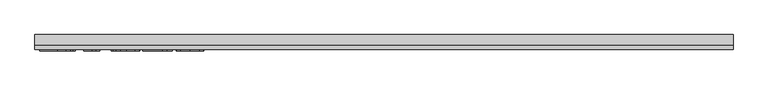
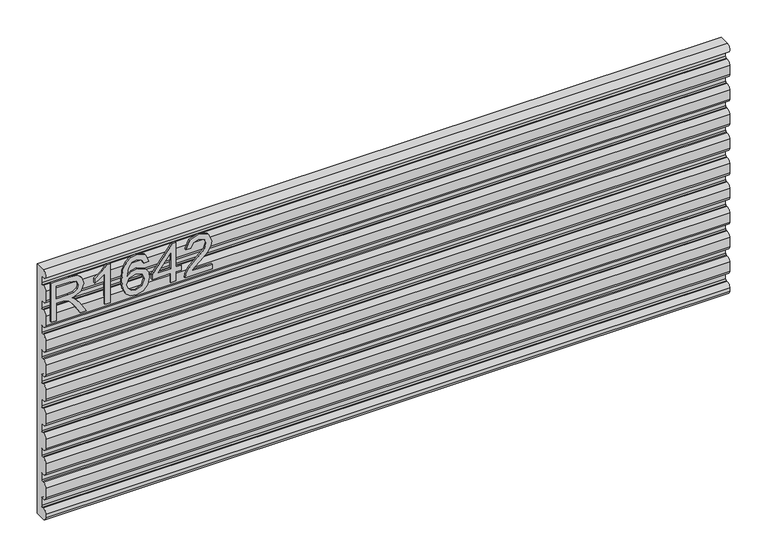
"""IFC4 building model written with IfcOpenShell, lengths in millimetres: furniture geometry."""

from ifc_helpers import new_model, si_unit, point, frame, frame_2d, origin, place, context, project, spatial, polyline, circle_curve, trimmed, segment, composite_curve, outline, extrude, source, transform, mapped, element, save


def furniture_815d6205(model_context):
    return source(origin(), model_context, "Body", "SweptSolid", [
        extrude(outline(polyline([(882.65, -520.0729953), (882.65, -512.0992757), (910.5580187, -512.0992757), (910.5580187, -502.474747), (910.2776926, -497.8493666), (908.7592596, -494.0571777), (904.62445, -489.8444997), (895.8720468, -483.8486363), (882.65, -475.5478696), (882.65, -466.2815353), (899.936775, -476.9183526), (908.1440996, -483.3814262), (911.5547336, -487.9133645), (917.4883023, -474.5589415), (928.9816716, -470.2372477), (938.6295609, -472.8458376), (944.7188663, -479.8228423), (946.4397569, -492.5854658), (946.4397569, -520.0729953), (882.65, -520.0729953)]), holes=[polyline([(918.5317383, -512.0992757), (938.4660373, -512.0992757), (938.4660373, -492.242845), (935.7094975, -481.5826671), (928.6857719, -478.2109673), (923.2739211, -479.978579), (919.6608294, -485.1490378), (918.5317383, -494.2518486), (918.5317383, -512.0992757)])]), frame((0.0, -24.60625, 0.0), z_axis=(0.0, 1.0, 0.0), x_axis=(0.0, 0.0, 1.0)), (0.0, 0.0, 1.0), 2.38125),
        extrude(outline(polyline([(882.65, -429.3719347), (946.4397569, -429.3719347), (946.4397569, -434.5112462), (937.9521062, -441.6050533), (930.4923177, -453.2930935), (922.9546609, -453.2930935), (926.9804549, -444.8988848), (932.3611582, -437.3456543), (882.65, -437.3456543), (882.65, -429.3719347)])), frame((0.0, -24.60625, 0.0), z_axis=(0.0, 1.0, 0.0), x_axis=(0.0, 0.0, 1.0)), (0.0, 0.0, 1.0), 2.38125),
        extrude(outline(polyline([(929.4956028, -369.5690375), (941.938966, -375.4558852), (946.4397569, -388.0549852), (944.6215308, -397.3096392), (939.1668525, -404.4540609), (928.3081103, -409.6868144), (912.4268592, -411.4310655), (898.3015395, -409.8600715), (888.8171738, -405.1470892), (883.4442572, -397.9423196), (881.653285, -388.8959634), (884.355317, -378.4460301), (892.1421526, -371.204273), (903.1449512, -368.5723226), (911.3172351, -369.9700596), (917.8309231, -374.1632705), (923.515313, -387.7123644), (921.4362279, -396.4258334), (915.0743833, -403.4573459), (929.2853582, -401.1913768), (936.5349021, -395.7483787), (938.4660373, -388.5533426), (935.1488454, -380.5640494), (928.4988878, -377.5427572), (929.4956028, -369.5690375)]), holes=[polyline([(903.2695406, -403.4573459), (912.15432, -399.4938466), (915.5415934, -389.8459574), (912.15432, -380.0734787), (902.8801988, -376.5460422), (893.1933754, -380.1201997), (889.6270047, -389.5189103), (891.3478953, -396.7061595), (896.3626174, -401.6118659), (903.2695406, -403.4573459)])]), frame((0.0, -24.60625, 0.0), z_axis=(0.0, 1.0, 0.0), x_axis=(0.0, 0.0, 1.0)), (0.0, 0.0, 1.0), 2.38125),
        extrude(outline(polyline([(882.65, -335.6807292), (882.65, -327.7070095), (897.6007243, -327.7070095), (897.6007243, -319.7332899), (905.5744439, -319.7332899), (905.5744439, -327.7070095), (945.443042, -327.7070095), (945.443042, -333.6872993), (905.5744439, -364.5854628), (897.6007243, -364.5854628), (897.6007243, -335.6807292), (882.65, -335.6807292)]), holes=[polyline([(905.5744439, -335.6807292), (905.5744439, -354.77405), (930.2119916, -335.6807292), (905.5744439, -335.6807292)])]), frame((0.0, -24.60625, 0.0), z_axis=(0.0, 1.0, 0.0), x_axis=(0.0, 0.0, 1.0)), (0.0, 0.0, 1.0), 2.38125),
        extrude(outline(polyline([(890.6237196, -271.8909722), (890.6237196, -303.2096249), (894.6806609, -299.6121068), (902.350694, -290.4392145), (913.2756243, -279.0159268), (921.0936072, -274.3048912), (928.6546245, -272.8876872), (941.3315928, -278.1438012), (946.4397569, -292.4170708), (941.845524, -306.6436193), (928.4988878, -312.7562853), (927.5021729, -304.7825656), (935.5537608, -301.4264395), (938.4660373, -292.5883812), (935.4836793, -284.1085172), (928.1718407, -280.8614068), (919.1391115, -284.3031881), (905.85477, -298.0703134), (896.6117962, -308.0530366), (888.1475059, -312.8964483), (882.65, -313.7530002), (882.65, -271.8909722), (890.6237196, -271.8909722)])), frame((0.0, -24.60625, 0.0), z_axis=(0.0, 1.0, 0.0), x_axis=(0.0, 0.0, 1.0)), (0.0, 0.0, 1.0), 2.38125),
        extrude(outline(composite_curve([segment(polyline([(-11.1273551, 940.9125759), (-11.1273551, 951.3113359)]), True, "CONTINUOUS"), segment(trimmed(circle_curve(frame_2d((-12.7148551, 951.3113359)), 1.5875), [point((-11.1273551, 951.3113359))], [point((-12.9205788, 952.8854496))], True, "CARTESIAN"), True, "CONTINUOUS"), segment(trimmed(circle_curve(frame_2d((-1.148465, 869.310398)), 84.4000706), [point((-12.9205788, 952.8854496))], [point((-15.1005681, 952.5492755))], True, "CARTESIAN"), True, "CONTINUOUS"), segment(trimmed(circle_curve(frame_2d((-15.8898551, 958.8475159)), 6.3475039), [point((-15.1005681, 952.5492755))], [point((-15.8908532, 965.1950196))], False, "CARTESIAN"), True, "CONTINUOUS"), segment(polyline([(-15.8908532, 965.1950196), (-0.0148551, 965.1975159), (-0.0148551, 558.8), (-15.8898551, 558.8)]), True, "CONTINUOUS"), segment(trimmed(circle_curve(frame_2d((-15.8898551, 565.1475038)), 6.3475038), [point((-15.8898551, 558.8))], [point((-22.2373589, 565.1475038))], False, "CARTESIAN"), True, "CONTINUOUS"), segment(polyline([(-22.2373589, 565.1475038), (-22.2373589, 570.9539438)]), True, "CONTINUOUS"), segment(trimmed(circle_curve(frame_2d((-15.8898551, 570.9539438)), 6.3475038), [point((-22.2373589, 570.9539438))], [point((-15.1005681, 577.2521841))], False, "CARTESIAN"), True, "CONTINUOUS"), segment(trimmed(circle_curve(frame_2d((-1.148465, 660.4910617)), 84.4000706), [point((-15.1005681, 577.2521841))], [point((-12.9205788, 576.91601))], True, "CARTESIAN"), True, "CONTINUOUS"), segment(trimmed(circle_curve(frame_2d((-12.7148551, 578.4901238)), 1.5875), [point((-12.9205788, 576.91601))], [point((-11.1273551, 578.4901238))], True, "CARTESIAN"), True, "CONTINUOUS"), segment(polyline([(-11.1273551, 578.4901238), (-11.1273551, 590.5060073)]), True, "CONTINUOUS"), segment(trimmed(circle_curve(frame_2d((-12.7148551, 590.5060073)), 1.5875), [point((-11.1273551, 590.5060073))], [point((-12.9205788, 592.080121))], True, "CARTESIAN"), True, "CONTINUOUS"), segment(trimmed(circle_curve(frame_2d((-1.148465, 508.5050694)), 84.4000706), [point((-12.9205788, 592.080121))], [point((-15.1005681, 591.743947))], True, "CARTESIAN"), True, "CONTINUOUS"), segment(trimmed(circle_curve(frame_2d((-15.8898551, 598.0421873)), 6.3475039), [point((-15.1005681, 591.743947))], [point((-22.225, 597.6462778))], False, "CARTESIAN"), True, "CONTINUOUS"), segment(polyline([(-22.225, 597.6462778), (-22.225, 613.0564578)]), True, "CONTINUOUS"), segment(trimmed(circle_curve(frame_2d((-15.8898551, 612.6605483)), 6.3475039), [point((-22.225, 613.0564578))], [point((-15.1005681, 618.9587886))], False, "CARTESIAN"), True, "CONTINUOUS"), segment(trimmed(circle_curve(frame_2d((-1.148465, 702.1976662)), 84.4000706), [point((-15.1005681, 618.9587886))], [point((-12.9205788, 618.6226145))], True, "CARTESIAN"), True, "CONTINUOUS"), segment(trimmed(circle_curve(frame_2d((-12.7148551, 620.1967283)), 1.5875), [point((-12.9205788, 618.6226145))], [point((-11.1273551, 620.1967283))], True, "CARTESIAN"), True, "CONTINUOUS"), segment(polyline([(-11.1273551, 620.1967283), (-11.1273551, 630.5954883)]), True, "CONTINUOUS"), segment(trimmed(circle_curve(frame_2d((-12.7148551, 630.5954883)), 1.5875), [point((-11.1273551, 630.5954883))], [point((-12.9205788, 632.169602))], True, "CARTESIAN"), True, "CONTINUOUS"), segment(trimmed(circle_curve(frame_2d((-1.148465, 548.5945503)), 84.4000706), [point((-12.9205788, 632.169602))], [point((-15.1005681, 631.8334279))], True, "CARTESIAN"), True, "CONTINUOUS"), segment(trimmed(circle_curve(frame_2d((-15.8898551, 638.1316682)), 6.3475039), [point((-15.1005681, 631.8334279))], [point((-22.225, 637.7357587))], False, "CARTESIAN"), True, "CONTINUOUS"), segment(polyline([(-22.225, 637.7357587), (-22.225, 653.1459387)]), True, "CONTINUOUS"), segment(trimmed(circle_curve(frame_2d((-15.8898551, 652.7500292)), 6.3475039), [point((-22.225, 653.1459387))], [point((-15.1005681, 659.0482696))], False, "CARTESIAN"), True, "CONTINUOUS"), segment(trimmed(circle_curve(frame_2d((-1.148465, 742.2871471)), 84.4000706), [point((-15.1005681, 659.0482696))], [point((-12.9205788, 658.7120955))], True, "CARTESIAN"), True, "CONTINUOUS"), segment(trimmed(circle_curve(frame_2d((-12.7148551, 660.2862092)), 1.5875), [point((-12.9205788, 658.7120955))], [point((-11.1273551, 660.2862092))], True, "CARTESIAN"), True, "CONTINUOUS"), segment(polyline([(-11.1273551, 660.2862092), (-11.1273551, 670.6849692)]), True, "CONTINUOUS"), segment(trimmed(circle_curve(frame_2d((-12.7148551, 670.6849692)), 1.5875), [point((-11.1273551, 670.6849692))], [point((-12.9205788, 672.2590829))], True, "CARTESIAN"), True, "CONTINUOUS"), segment(trimmed(circle_curve(frame_2d((-1.148465, 588.6840313)), 84.4000706), [point((-12.9205788, 672.2590829))], [point((-15.1005681, 671.9229089))], True, "CARTESIAN"), True, "CONTINUOUS"), segment(trimmed(circle_curve(frame_2d((-15.8898551, 678.2211492)), 6.3475039), [point((-15.1005681, 671.9229089))], [point((-22.225, 677.8252397))], False, "CARTESIAN"), True, "CONTINUOUS"), segment(polyline([(-22.225, 677.8252397), (-22.225, 693.2354197)]), True, "CONTINUOUS"), segment(trimmed(circle_curve(frame_2d((-15.8898551, 692.8395102)), 6.3475039), [point((-22.225, 693.2354197))], [point((-15.1005681, 699.1377505))], False, "CARTESIAN"), True, "CONTINUOUS"), segment(trimmed(circle_curve(frame_2d((-1.148465, 782.3766281)), 84.4000706), [point((-15.1005681, 699.1377505))], [point((-12.9205788, 698.8015764))], True, "CARTESIAN"), True, "CONTINUOUS"), segment(trimmed(circle_curve(frame_2d((-12.7148551, 700.3756902)), 1.5875), [point((-12.9205788, 698.8015764))], [point((-11.1273551, 700.3756902))], True, "CARTESIAN"), True, "CONTINUOUS"), segment(polyline([(-11.1273551, 700.3756902), (-11.1273551, 710.7744502)]), True, "CONTINUOUS"), segment(trimmed(circle_curve(frame_2d((-12.7148551, 710.7744502)), 1.5875), [point((-11.1273551, 710.7744502))], [point((-12.9205788, 712.3485639))], True, "CARTESIAN"), True, "CONTINUOUS"), segment(trimmed(circle_curve(frame_2d((-1.148465, 628.7735122)), 84.4000706), [point((-12.9205788, 712.3485639))], [point((-15.1005681, 712.0123898))], True, "CARTESIAN"), True, "CONTINUOUS"), segment(trimmed(circle_curve(frame_2d((-15.8898551, 718.3106301)), 6.3475039), [point((-15.1005681, 712.0123898))], [point((-22.225, 717.9147206))], False, "CARTESIAN"), True, "CONTINUOUS"), segment(polyline([(-22.225, 717.9147206), (-22.225, 733.3249006)]), True, "CONTINUOUS"), segment(trimmed(circle_curve(frame_2d((-15.8898551, 732.9289911)), 6.3475039), [point((-22.225, 733.3249006))], [point((-15.1005681, 739.2272315))], False, "CARTESIAN"), True, "CONTINUOUS"), segment(trimmed(circle_curve(frame_2d((-1.148465, 822.4661091)), 84.4000706), [point((-15.1005681, 739.2272315))], [point((-12.9205788, 738.8910574))], True, "CARTESIAN"), True, "CONTINUOUS"), segment(trimmed(circle_curve(frame_2d((-12.7148551, 740.4651711)), 1.5875), [point((-12.9205788, 738.8910574))], [point((-11.1273551, 740.4651711))], True, "CARTESIAN"), True, "CONTINUOUS"), segment(polyline([(-11.1273551, 740.4651711), (-11.1273551, 750.8639311)]), True, "CONTINUOUS"), segment(trimmed(circle_curve(frame_2d((-12.7148551, 750.8639311)), 1.5875), [point((-11.1273551, 750.8639311))], [point((-12.9205788, 752.4380449))], True, "CARTESIAN"), True, "CONTINUOUS"), segment(trimmed(circle_curve(frame_2d((-1.148465, 668.8629932)), 84.4000706), [point((-12.9205788, 752.4380449))], [point((-15.1005681, 752.1018708))], True, "CARTESIAN"), True, "CONTINUOUS"), segment(trimmed(circle_curve(frame_2d((-15.8898551, 758.4001111)), 6.3475039), [point((-15.1005681, 752.1018708))], [point((-22.225, 758.0042016))], False, "CARTESIAN"), True, "CONTINUOUS"), segment(polyline([(-22.225, 758.0042016), (-22.225, 773.4143816)]), True, "CONTINUOUS"), segment(trimmed(circle_curve(frame_2d((-15.8898551, 773.0184721)), 6.3475039), [point((-22.225, 773.4143816))], [point((-15.1005681, 779.3167124))], False, "CARTESIAN"), True, "CONTINUOUS"), segment(trimmed(circle_curve(frame_2d((-1.148465, 862.55559)), 84.4000706), [point((-15.1005681, 779.3167124))], [point((-12.9205788, 778.9805383))], True, "CARTESIAN"), True, "CONTINUOUS"), segment(trimmed(circle_curve(frame_2d((-12.7148551, 780.5546521)), 1.5875), [point((-12.9205788, 778.9805383))], [point((-11.1273551, 780.5546521))], True, "CARTESIAN"), True, "CONTINUOUS"), segment(polyline([(-11.1273551, 780.5546521), (-11.1273551, 790.9534121)]), True, "CONTINUOUS"), segment(trimmed(circle_curve(frame_2d((-12.7148551, 790.9534121)), 1.5875), [point((-11.1273551, 790.9534121))], [point((-12.9205788, 792.5275258))], True, "CARTESIAN"), True, "CONTINUOUS"), segment(trimmed(circle_curve(frame_2d((-1.148465, 708.9524741)), 84.4000706), [point((-12.9205788, 792.5275258))], [point((-15.1005681, 792.1913517))], True, "CARTESIAN"), True, "CONTINUOUS"), segment(trimmed(circle_curve(frame_2d((-15.8898551, 798.489592)), 6.3475039), [point((-15.1005681, 792.1913517))], [point((-22.225, 798.0936826))], False, "CARTESIAN"), True, "CONTINUOUS"), segment(polyline([(-22.225, 798.0936826), (-22.225, 813.5038626)]), True, "CONTINUOUS"), segment(trimmed(circle_curve(frame_2d((-15.8898551, 813.1079531)), 6.3475039), [point((-22.225, 813.5038626))], [point((-15.1005681, 819.4061934))], False, "CARTESIAN"), True, "CONTINUOUS"), segment(trimmed(circle_curve(frame_2d((-1.148465, 902.645071)), 84.4000706), [point((-15.1005681, 819.4061934))], [point((-12.9205788, 819.0700193))], True, "CARTESIAN"), True, "CONTINUOUS"), segment(trimmed(circle_curve(frame_2d((-12.7148551, 820.644133)), 1.5875), [point((-12.9205788, 819.0700193))], [point((-11.1273551, 820.644133))], True, "CARTESIAN"), True, "CONTINUOUS"), segment(polyline([(-11.1273551, 820.644133), (-11.1273551, 831.042893)]), True, "CONTINUOUS"), segment(trimmed(circle_curve(frame_2d((-12.7148551, 831.042893)), 1.5875), [point((-11.1273551, 831.042893))], [point((-12.9205788, 832.6170068))], True, "CARTESIAN"), True, "CONTINUOUS"), segment(trimmed(circle_curve(frame_2d((-1.148465, 749.0419551)), 84.4000706), [point((-12.9205788, 832.6170068))], [point((-15.1005681, 832.2808327))], True, "CARTESIAN"), True, "CONTINUOUS"), segment(trimmed(circle_curve(frame_2d((-15.8898551, 838.579073)), 6.3475039), [point((-15.1005681, 832.2808327))], [point((-22.225, 838.1831635))], False, "CARTESIAN"), True, "CONTINUOUS"), segment(polyline([(-22.225, 838.1831635), (-22.225, 853.5933435)]), True, "CONTINUOUS"), segment(trimmed(circle_curve(frame_2d((-15.8898551, 853.197434)), 6.3475039), [point((-22.225, 853.5933435))], [point((-15.1005681, 859.4956743))], False, "CARTESIAN"), True, "CONTINUOUS"), segment(trimmed(circle_curve(frame_2d((-1.148465, 942.7345519)), 84.4000706), [point((-15.1005681, 859.4956743))], [point((-12.9205788, 859.1595003))], True, "CARTESIAN"), True, "CONTINUOUS"), segment(trimmed(circle_curve(frame_2d((-12.7148551, 860.733614)), 1.5875), [point((-12.9205788, 859.1595003))], [point((-11.1273551, 860.733614))], True, "CARTESIAN"), True, "CONTINUOUS"), segment(polyline([(-11.1273551, 860.733614), (-11.1273551, 871.132374)]), True, "CONTINUOUS"), segment(trimmed(circle_curve(frame_2d((-12.7148551, 871.132374)), 1.5875), [point((-11.1273551, 871.132374))], [point((-12.9205788, 872.7064877))], True, "CARTESIAN"), True, "CONTINUOUS"), segment(trimmed(circle_curve(frame_2d((-1.148465, 789.1314361)), 84.4000706), [point((-12.9205788, 872.7064877))], [point((-15.1005681, 872.3703136))], True, "CARTESIAN"), True, "CONTINUOUS"), segment(trimmed(circle_curve(frame_2d((-15.8898551, 878.668554)), 6.3475039), [point((-15.1005681, 872.3703136))], [point((-22.225, 878.2726445))], False, "CARTESIAN"), True, "CONTINUOUS"), segment(polyline([(-22.225, 878.2726445), (-22.225, 893.6828245)]), True, "CONTINUOUS"), segment(trimmed(circle_curve(frame_2d((-15.8898551, 893.286915)), 6.3475039), [point((-22.225, 893.6828245))], [point((-15.1005681, 899.5851553))], False, "CARTESIAN"), True, "CONTINUOUS"), segment(trimmed(circle_curve(frame_2d((-1.148465, 982.8240329)), 84.4000706), [point((-15.1005681, 899.5851553))], [point((-12.9205788, 899.2489812))], True, "CARTESIAN"), True, "CONTINUOUS"), segment(trimmed(circle_curve(frame_2d((-12.7148551, 900.8230949)), 1.5875), [point((-12.9205788, 899.2489812))], [point((-11.1273551, 900.8230949))], True, "CARTESIAN"), True, "CONTINUOUS"), segment(polyline([(-11.1273551, 900.8230949), (-11.1273551, 911.2218549)]), True, "CONTINUOUS"), segment(trimmed(circle_curve(frame_2d((-12.7148551, 911.2218549)), 1.5875), [point((-11.1273551, 911.2218549))], [point((-12.9205788, 912.7959687))], True, "CARTESIAN"), True, "CONTINUOUS"), segment(trimmed(circle_curve(frame_2d((-1.148465, 829.220917)), 84.4000706), [point((-12.9205788, 912.7959687))], [point((-15.1005681, 912.4597946))], True, "CARTESIAN"), True, "CONTINUOUS"), segment(trimmed(circle_curve(frame_2d((-15.8898551, 918.7580349)), 6.3475039), [point((-15.1005681, 912.4597946))], [point((-22.225, 918.3621254))], False, "CARTESIAN"), True, "CONTINUOUS"), segment(polyline([(-22.225, 918.3621254), (-22.225, 933.7723054)]), True, "CONTINUOUS"), segment(trimmed(circle_curve(frame_2d((-15.8898551, 933.3763959)), 6.3475039), [point((-22.225, 933.7723054))], [point((-15.1005681, 939.6746362))], False, "CARTESIAN"), True, "CONTINUOUS"), segment(trimmed(circle_curve(frame_2d((-1.148465, 1022.9135138)), 84.4000706), [point((-15.1005681, 939.6746362))], [point((-12.9205788, 939.3384622))], True, "CARTESIAN"), True, "CONTINUOUS"), segment(trimmed(circle_curve(frame_2d((-12.7148551, 940.9125759)), 1.5875), [point((-12.9205788, 939.3384622))], [point((-11.1273551, 940.9125759))], True, "CARTESIAN"), True, "CONTINUOUS")], self_intersect=False)), frame((-527.05, 0.0, 0.0), z_axis=(1.0, 0.0, 0.0), x_axis=(0.0, 1.0, 0.0)), (0.0, 0.0, 1.0), 1054.1),
    ])


if __name__ == "__main__":
    model = new_model("IFC4")
    model_context = context("Model", 3, world=origin())
    ifc_project = project(units=[si_unit("LENGTHUNIT", "METRE", prefix="MILLI")], contexts=[model_context])
    site = spatial("IfcSite", under=ifc_project)
    building = spatial("IfcBuilding", under=site)
    placement = place(None, origin())
    furniture_shape = furniture_815d6205(model_context)
    element("IfcFurniture", 1, at=placement, inside=building, context=model_context, shape_type="MappedRepresentation", body=[
        mapped(furniture_shape, transform((0.0, 0.0, 0.0), x_axis=(1.0, 0.0, 0.0), y_axis=(0.0, 1.0, 0.0), z_axis=(0.0, 0.0, 1.0))),
    ])
    save(model, "model.ifc")
